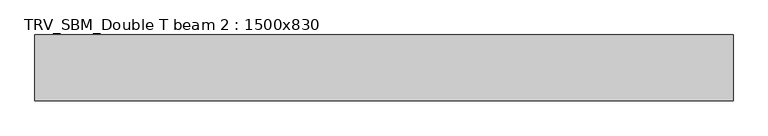
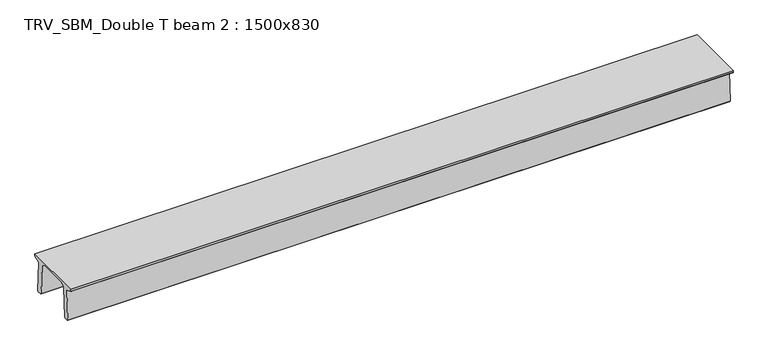
"""IFC4 building model written with IfcOpenShell, lengths in millimetres: beam geometry, TRV_SBM_Double T beam 2 : 1500x830."""

from ifc_helpers import new_model, si_unit, frame, origin, place, context, project, spatial, polyline, outline, extrude, source, transform, mapped, element, save


def trv_sbm_double_t_beam_2_1500x830_e0d78daf(model_context):
    return source(origin(), model_context, "Body", "SweptSolid", [
        extrude(outline(polyline([(337.4555014, 470.0), (-343.4555014, 470.0), (-456.5828437, 409.8491251), (-494.786332, -340.5206011), (-514.2657308, -360.0), (-604.2657308, -360.0), (-624.8277662, -339.4379646), (-586.9373878, 401.9654693), (-752.8511046, 468.9989621), (-753.0, 475.0), (-753.0, 520.0), (747.0, 520.0), (747.0, 475.0), (746.8511046, 468.9989621), (580.9373878, 401.9654693), (618.8277662, -339.4379646), (598.2657308, -360.0), (508.2657308, -360.0), (488.786332, -340.5206011), (450.5828437, 409.8491251), (337.4555014, 470.0)])), frame((-7967.5, 0.0, 0.0), z_axis=(1.0, 0.0, 0.0), x_axis=(0.0, 1.0, 0.0)), (0.0, 0.0, 1.0), 15935.0),
    ])


if __name__ == "__main__":
    model = new_model("IFC4")
    model_context = context("Model", 3, world=origin())
    ifc_project = project(units=[si_unit("LENGTHUNIT", "METRE", prefix="MILLI")], contexts=[model_context])
    site = spatial("IfcSite", under=ifc_project)
    building = spatial("IfcBuilding", under=site)
    placement = place(None, origin())
    trv_sbm_double_t_beam_2_1500x830_shape = trv_sbm_double_t_beam_2_1500x830_e0d78daf(model_context)
    element("IfcBeam", 1, ObjectType="TRV_SBM_Double T beam 2 : 1500x830", at=placement, inside=building, context=model_context, shape_type="MappedRepresentation", body=[
        mapped(trv_sbm_double_t_beam_2_1500x830_shape, transform((0.0, 0.0, 0.0), x_axis=(1.0, 0.0, 0.0), y_axis=(0.0, 1.0, 0.0), z_axis=(0.0, 0.0, 1.0))),
    ])
    save(model, "model.ifc")
